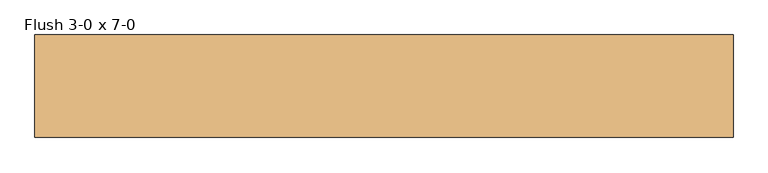
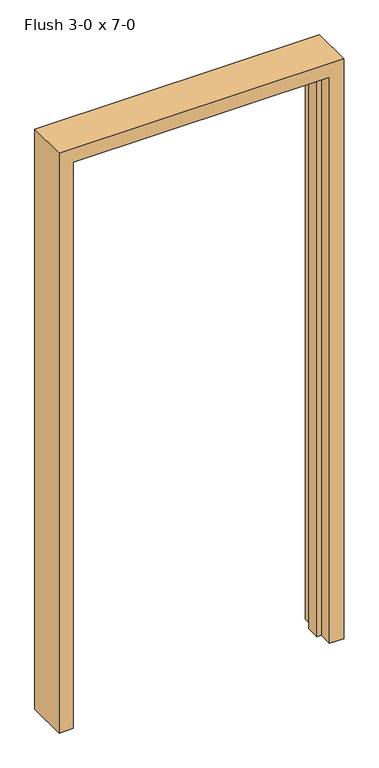
"""IFC4 building model written with IfcOpenShell, lengths in millimetres: door geometry, Flush 3-0 x 7-0."""

from ifc_helpers import new_model, si_unit, frame, origin, place, context, project, spatial, polyline, outline, extrude, source, transform, mapped, element, save


def flush_3_0_x_7_0_62fb1290(model_context):
    return source(origin(), model_context, "Body", "SweptSolid", [
        extrude(outline(polyline([(0.0, 441.325), (0.0, 457.2), (2133.6, 457.2), (2133.6, -457.2), (0.0, -457.2), (0.0, -441.325), (2117.725, -441.325), (2117.725, 441.325), (0.0, 441.325)])), frame((0.0, -17.4625, 0.0), z_axis=(0.0, 1.0, 0.0), x_axis=(0.0, 0.0, 1.0)), (0.0, 0.0, 1.0), 50.8),
        extrude(outline(polyline([(0.0, 457.2), (0.0, 508.0), (2184.4, 508.0), (2184.4, -508.0), (0.0, -508.0), (0.0, -457.2), (2133.6, -457.2), (2133.6, 457.2), (0.0, 457.2)])), frame((0.0, -66.675, 0.0), z_axis=(0.0, 1.0, 0.0), x_axis=(0.0, 0.0, 1.0)), (0.0, 0.0, 1.0), 149.225),
    ])


if __name__ == "__main__":
    model = new_model("IFC4")
    model_context = context("Model", 3, world=origin())
    ifc_project = project(units=[si_unit("LENGTHUNIT", "METRE", prefix="MILLI")], contexts=[model_context])
    site = spatial("IfcSite", under=ifc_project)
    building = spatial("IfcBuilding", under=site)
    placement = place(None, origin())
    flush_3_0_x_7_0_shape = flush_3_0_x_7_0_62fb1290(model_context)
    element("IfcDoor", 1, ObjectType="Flush 3-0 x 7-0", at=placement, inside=building, context=model_context, shape_type="MappedRepresentation", body=[
        mapped(flush_3_0_x_7_0_shape, transform((0.0, 0.0, 0.0), x_axis=(1.0, 0.0, 0.0), y_axis=(0.0, 1.0, 0.0), z_axis=(0.0, 0.0, 1.0))),
    ])
    save(model, "model.ifc")
